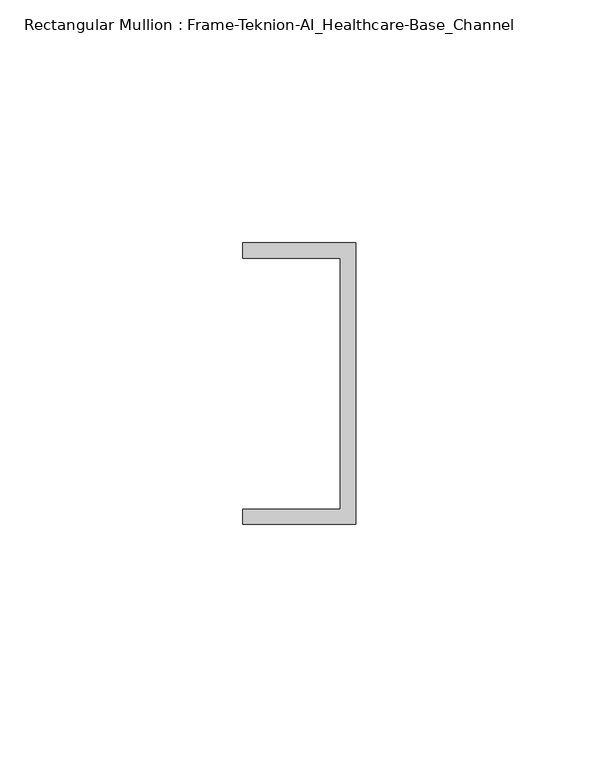
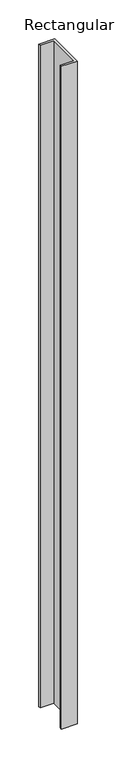
"""IFC4 building model written with IfcOpenShell, lengths in millimetres: member geometry, Rectangular Mullion : Frame-Teknion-AI_Healthcare-Base_Channel."""

import ifcopenshell
import ifcopenshell.guid

model = None  # the IFC model being written
_history = None  # IfcOwnerHistory: only IFC2X3 demands one
_inside = {}  # id of a spatial element -> (the spatial element, [elements in it])
_under = {}  # id of a project, library or spatial element -> (it, [spatial elements below it])
_declared = {}  # id of a project -> (the project, [libraries it declares])
_typed = {}  # id of a type object -> (the type object, [elements of that type])
_made_of = {}  # id of a material, layer set ... -> (it, [elements and type objects made of it])


def new_model(schema):
    """Start an empty IFC model of exactly this schema.

    Asked for "IFC4X3", IfcOpenShell would pick the latest addendum, in which some entities
    have other attributes; the version numbers below select the first issue.
    IFC2X3 requires an IfcOwnerHistory on every rooted entity: one is made here for all.
    """
    global model, _history
    if schema == "IFC4X3":
        model = ifcopenshell.file(schema_version=(4, 3, 0, 0))
    else:
        model = ifcopenshell.file(schema=schema)
    _inside.clear()
    _under.clear()
    _declared.clear()
    _typed.clear()
    _made_of.clear()
    _history = None
    if model.schema == "IFC2X3":
        org = make("IfcOrganization", Name="unknown")
        user = make(
            "IfcPersonAndOrganization",
            ThePerson=make("IfcPerson", FamilyName="unknown"),
            TheOrganization=org,
        )
        app = make(
            "IfcApplication",
            ApplicationDeveloper=org,
            Version="unknown",
            ApplicationFullName="unknown",
            ApplicationIdentifier="unknown",
        )
        _history = make(
            "IfcOwnerHistory",
            OwningUser=user,
            OwningApplication=app,
            ChangeAction="ADDED",
            CreationDate=0,
        )
    return model


def make(cls, **values):
    """One entity of the class cls with the attributes given. An attribute that is None is left unset."""
    return model.create_entity(
        cls, **{name: value for name, value in values.items() if value is not None}
    )


def rooted(cls, **values):
    """An entity with a GlobalId (a new one), such as an element, a storey or a relation."""
    return make(cls, GlobalId=ifcopenshell.guid.new(), OwnerHistory=_history, **values)


def si_unit(unit_type, name, prefix=None):
    """IfcSIUnit, for example si_unit("LENGTHUNIT", "METRE", prefix="MILLI")."""
    return make("IfcSIUnit", UnitType=unit_type, Prefix=prefix, Name=name)


def assignment(units):
    """IfcUnitAssignment: the units of a project."""
    return None if units is None else make("IfcUnitAssignment", Units=units)


def point(xyz):
    """IfcCartesianPoint."""
    return None if xyz is None else make("IfcCartesianPoint", Coordinates=xyz)


def direction(xyz):
    """IfcDirection."""
    return None if xyz is None else make("IfcDirection", DirectionRatios=xyz)


def frame(location, z_axis=None, x_axis=None):
    """IfcAxis2Placement3D, a coordinate frame: its origin and axes. An axis left out is left unset."""
    return make(
        "IfcAxis2Placement3D",
        Location=point(location),
        Axis=direction(z_axis),
        RefDirection=direction(x_axis),
    )


def origin():
    """The frame at (0, 0, 0) with its axes left unset."""
    return frame((0.0, 0.0, 0.0))


def place(relative_to, where):
    """IfcLocalPlacement: puts the frame where relative to a parent placement (None: the world)."""
    return make(
        "IfcLocalPlacement", PlacementRelTo=relative_to, RelativePlacement=where
    )


def context(
    kind, dimensions, precision=None, world=None, true_north=None, identifier=None
):
    """IfcGeometricRepresentationContext, for example the 3D "Model" context."""
    return make(
        "IfcGeometricRepresentationContext",
        ContextIdentifier=identifier,
        ContextType=kind,
        CoordinateSpaceDimension=dimensions,
        Precision=precision,
        WorldCoordinateSystem=world,
        TrueNorth=true_north,
    )


def project(units=None, contexts=None):
    """IfcProject with its units and contexts."""
    return rooted(
        "IfcProject",
        Name="project",
        RepresentationContexts=contexts,
        UnitsInContext=assignment(units),
    )


def spatial(cls, under=None, at=None, **own):
    """A site, building, storey or space (cls), placed at a placement, below another one or the project."""
    s = rooted(cls, ObjectPlacement=at, **own)
    if under is not None:
        _under.setdefault(under.id(), (under, []))[1].append(s)
    return s


def polyline(points):
    """IfcPolyline through the points."""
    return make("IfcPolyline", Points=[point(p) for p in points])


def outline(outer, holes=None, kind="AREA"):
    """IfcArbitraryClosedProfileDef: a profile drawn as a closed curve; with holes, ...WithVoids."""
    if holes is None:
        return make("IfcArbitraryClosedProfileDef", ProfileType=kind, OuterCurve=outer)
    return make(
        "IfcArbitraryProfileDefWithVoids",
        ProfileType=kind,
        OuterCurve=outer,
        InnerCurves=holes,
    )


def extrude(swept, where, along, depth):
    """IfcExtrudedAreaSolid: the profile swept, set in the frame where, extruded along a direction by depth."""
    return make(
        "IfcExtrudedAreaSolid",
        SweptArea=swept,
        Position=where,
        ExtrudedDirection=direction(along),
        Depth=depth,
    )


def shape(context_of_items, identifier, shape_type, items):
    """IfcShapeRepresentation: the items that make up one representation, for example the "Body"."""
    return make(
        "IfcShapeRepresentation",
        ContextOfItems=context_of_items,
        RepresentationIdentifier=identifier,
        RepresentationType=shape_type,
        Items=items,
    )


def source(mapping_origin, context_of_items, identifier, shape_type, items):
    """IfcRepresentationMap: a shape defined once, which mapped items show again and again."""
    return make(
        "IfcRepresentationMap",
        MappingOrigin=mapping_origin,
        MappedRepresentation=shape(context_of_items, identifier, shape_type, items),
    )


def transform(
    local_origin,
    x_axis=None,
    y_axis=None,
    z_axis=None,
    scale=None,
    scale2=None,
    scale3=None,
    uniform=True,
):
    """IfcCartesianTransformationOperator3D, or its non-uniform kind. x_axis, y_axis, z_axis: its Axis1, 2, 3."""
    if uniform:
        return make(
            "IfcCartesianTransformationOperator3D",
            Axis1=direction(x_axis),
            Axis2=direction(y_axis),
            LocalOrigin=point(local_origin),
            Scale=scale,
            Axis3=direction(z_axis),
        )
    return make(
        "IfcCartesianTransformationOperator3DnonUniform",
        Axis1=direction(x_axis),
        Axis2=direction(y_axis),
        LocalOrigin=point(local_origin),
        Scale=scale,
        Axis3=direction(z_axis),
        Scale2=scale2,
        Scale3=scale3,
    )


def mapped(mapping_source, mapping_target):
    """IfcMappedItem: shows the shape of a source again, moved by a transform."""
    return make(
        "IfcMappedItem", MappingSource=mapping_source, MappingTarget=mapping_target
    )


def made_of(thing, what):
    """Note that an element or type object is made of a material, layer set ...; save() writes the relation."""
    if what is not None:
        _made_of.setdefault(what.id(), (what, []))[1].append(thing)
    return thing


def element(
    cls,
    number,
    at=None,
    inside=None,
    cuts=None,
    type_object=None,
    material=None,
    context=None,
    identifier="Body",
    shape_type=None,
    held_by="IfcProductDefinitionShape",
    body=None,
    shapes=None,
    **own,
):
    """One element of the class cls, such as IfcWall. Its Tag is "e" and its number.

    at: its placement. inside: the storey or other place that contains it. cuts: it is an
    opening in that element (IfcRelVoidsElement). A single representation is given by context,
    identifier, shape_type and body (its items); several are given by shapes. held_by: the class
    of the entity that holds the representations. save() writes the other relations.
    """
    e = rooted(cls, Tag="e%d" % number, ObjectPlacement=at, **own)
    if body is not None:
        shapes = [shape(context, identifier, shape_type, body)]
    if shapes is not None:
        e.Representation = make(held_by, Representations=shapes)
    if inside is not None:
        _inside.setdefault(inside.id(), (inside, []))[1].append(e)
    if cuts is not None:
        rooted(
            "IfcRelVoidsElement", RelatingBuildingElement=cuts, RelatedOpeningElement=e
        )
    if type_object is not None:
        _typed.setdefault(type_object.id(), (type_object, []))[1].append(e)
    return made_of(e, material)


def aggregate(whole, parts):
    """IfcRelAggregates: a whole, such as a stair, and the parts it consists of."""
    return rooted("IfcRelAggregates", RelatingObject=whole, RelatedObjects=parts)


def save(model, path):
    """Write the relations noted so far, then the file.

    IfcRelAggregates (storeys below a building ...), IfcRelContainedInSpatialStructure (elements
    in a storey), IfcRelDefinesByType, IfcRelAssociatesMaterial and IfcRelDeclares: one each for
    every whole, place, type object, material and project.
    """
    for whole, parts in _under.values():
        aggregate(whole, parts)
    for where, things in _inside.values():
        rooted(
            "IfcRelContainedInSpatialStructure",
            RelatedElements=things,
            RelatingStructure=where,
        )
    for kind, things in _typed.values():
        rooted("IfcRelDefinesByType", RelatedObjects=things, RelatingType=kind)
    for what, things in _made_of.values():
        rooted("IfcRelAssociatesMaterial", RelatedObjects=things, RelatingMaterial=what)
    for by, libraries in _declared.values():
        rooted("IfcRelDeclares", RelatingContext=by, RelatedDefinitions=libraries)
    model.write(path)


def rectangular_mullion_frame_teknion_ai_healthcare_base_channel_a15640ea(model_context):
    return source(origin(), model_context, "Body", "SweptSolid", [
        extrude(outline(polyline([(0.0, 29.0214844), (0.0, -29.0214844), (-23.3164063, -29.0214844), (-23.3164063, -25.8464844), (-3.175, -25.8464844), (-3.175, 25.8464844), (-23.3164063, 25.8464844), (-23.3164063, 29.0214844), (0.0, 29.0214844)])), frame((0.0, 0.0, -1041.4), z_axis=(0.0, 0.0, 1.0), x_axis=(1.0, 0.0, 0.0)), (0.0, 0.0, 1.0), 1041.4),
    ])


if __name__ == "__main__":
    model = new_model("IFC4")
    model_context = context("Model", 3, world=origin())
    ifc_project = project(units=[si_unit("LENGTHUNIT", "METRE", prefix="MILLI")], contexts=[model_context])
    site = spatial("IfcSite", under=ifc_project)
    building = spatial("IfcBuilding", under=site)
    placement = place(None, origin())
    rectangular_mullion_frame_teknion_ai_healthcare_base_channel_shape = rectangular_mullion_frame_teknion_ai_healthcare_base_channel_a15640ea(model_context)
    element("IfcMember", 1, ObjectType="Rectangular Mullion : Frame-Teknion-AI_Healthcare-Base_Channel", at=placement, inside=building, context=model_context, shape_type="MappedRepresentation", body=[
        mapped(rectangular_mullion_frame_teknion_ai_healthcare_base_channel_shape, transform((0.0, 0.0, 0.0), x_axis=(1.0, 0.0, 0.0), y_axis=(0.0, 1.0, 0.0), z_axis=(0.0, 0.0, 1.0))),
    ])
    save(model, "model.ifc")
